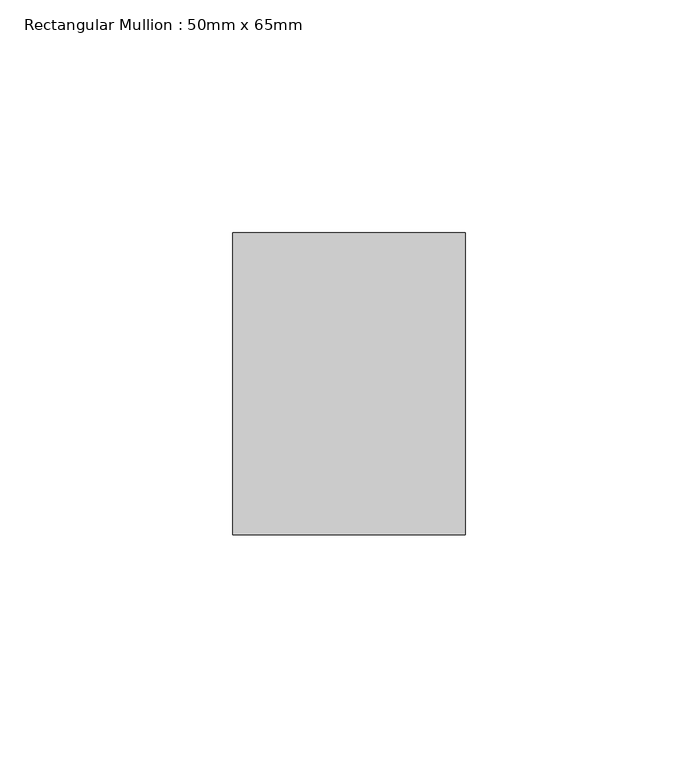
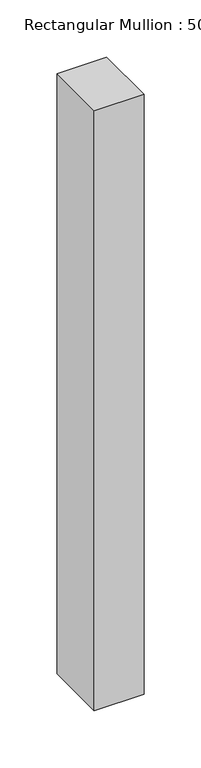
"""IFC4 building model written with IfcOpenShell, lengths in millimetres: member geometry, Rectangular Mullion : 50mm x 65mm."""

from ifc_helpers import new_model, si_unit, frame, origin, place, context, project, spatial, polyline, outline, extrude, source, transform, mapped, element, save


def rectangular_mullion_50mm_x_65mm_5d2f67b0(model_context):
    return source(origin(), model_context, "Body", "SweptSolid", [
        extrude(outline(polyline([(25.0, 32.5), (25.0, -32.5), (-25.0, -32.5), (-25.0, 32.5), (25.0, 32.5)])), frame((0.0, 0.0, -639.7124312), z_axis=(0.0, 0.0, 1.0), x_axis=(1.0, 0.0, 0.0)), (0.0, 0.0, 1.0), 639.7124312),
    ])


if __name__ == "__main__":
    model = new_model("IFC4")
    model_context = context("Model", 3, world=origin())
    ifc_project = project(units=[si_unit("LENGTHUNIT", "METRE", prefix="MILLI")], contexts=[model_context])
    site = spatial("IfcSite", under=ifc_project)
    building = spatial("IfcBuilding", under=site)
    placement = place(None, origin())
    rectangular_mullion_50mm_x_65mm_shape = rectangular_mullion_50mm_x_65mm_5d2f67b0(model_context)
    element("IfcMember", 1, ObjectType="Rectangular Mullion : 50mm x 65mm", at=placement, inside=building, context=model_context, shape_type="MappedRepresentation", body=[
        mapped(rectangular_mullion_50mm_x_65mm_shape, transform((0.0, 0.0, 0.0), x_axis=(1.0, 0.0, 0.0), y_axis=(0.0, 1.0, 0.0), z_axis=(0.0, 0.0, 1.0))),
    ])
    save(model, "model.ifc")
